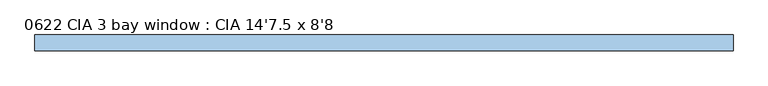
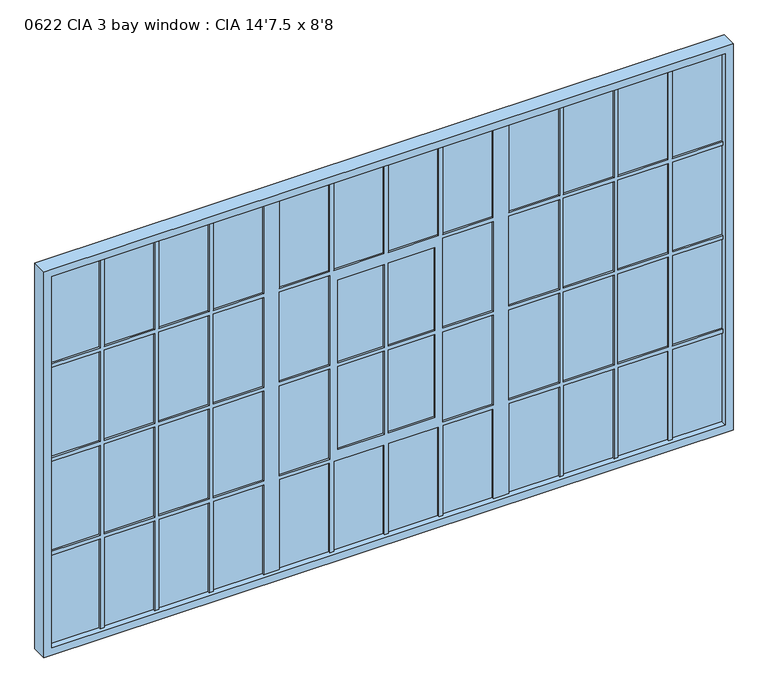
"""IFC4 building model written with IfcOpenShell, lengths in millimetres: window geometry, 0622 CIA 3 bay window : CIA 14'7.5 x 8'8."""

from ifc_helpers import new_model, si_unit, frame, origin, place, context, project, spatial, polyline, outline, extrude, source, transform, mapped, element, save


def window_0622_cia_3_bay_window_cia_14_7_5_x_8_8_09d8158f(model_context):
    return source(origin(), model_context, "Body", "SweptSolid", [
        extrude(outline(polyline([(4598.9875, 0.0), (242.8875, 0.0), (242.8875, 25.4), (4598.9875, 25.4), (4598.9875, 0.0)])), frame((0.0, 0.0, 787.4), z_axis=(0.0, 0.0, 1.0), x_axis=(1.0, 0.0, 0.0)), (0.0, 0.0, 1.0), 2540.0),
        extrude(outline(polyline([(3378.2, 192.0875), (736.6, 192.0875), (736.6, 4649.7875), (3378.2, 4649.7875), (3378.2, 192.0875)]), holes=[polyline([(3327.4, 242.8875), (3327.4, 4598.9875), (787.4, 4598.9875), (787.4, 242.8875), (3327.4, 242.8875)])]), frame((0.0, -38.1, 0.0), z_axis=(0.0, 1.0, 0.0), x_axis=(0.0, 0.0, 1.0)), (0.0, 0.0, 1.0), 101.6),
        extrude(outline(polyline([(2711.45, 4271.9625), (3327.4, 4271.9625), (3327.4, 4246.5625), (2711.45, 4246.5625), (2711.45, 3919.5375), (3327.4, 3919.5375), (3327.4, 3894.1375), (2711.45, 3894.1375), (2711.45, 3567.1125), (3327.4, 3567.1125), (3327.4, 3541.7125), (2711.45, 3541.7125), (2711.45, 3214.6875), (3327.4, 3214.6875), (3327.4, 3113.0875), (2711.45, 3113.0875), (2711.45, 2786.0625), (3327.4, 2786.0625), (3327.4, 2760.6625), (2711.45, 2760.6625), (2711.45, 2433.6375), (3327.4, 2433.6375), (3327.4, 2408.2375), (2711.45, 2408.2375), (2711.45, 2081.2125), (3327.4, 2081.2125), (3327.4, 2055.8125), (2711.45, 2055.8125), (2711.45, 1728.7875), (3327.4, 1728.7875), (3327.4, 1627.1875), (2711.45, 1627.1875), (2711.45, 1300.1625), (3327.4, 1300.1625), (3327.4, 1274.7625), (2711.45, 1274.7625), (2711.45, 947.7375), (3327.4, 947.7375), (3327.4, 922.3375), (2711.45, 922.3375), (2711.45, 595.3125), (3327.4, 595.3125), (3327.4, 569.9125), (2711.45, 569.9125), (2711.45, 242.8875), (2686.05, 242.8875), (2686.05, 569.9125), (2070.1, 569.9125), (2070.1, 242.8875), (2044.7, 242.8875), (2044.7, 569.9125), (1428.75, 569.9125), (1428.75, 242.8875), (1403.35, 242.8875), (1403.35, 569.9125), (787.4, 569.9125), (787.4, 595.3125), (1403.35, 595.3125), (1403.35, 922.3375), (787.4, 922.3375), (787.4, 947.7375), (1403.35, 947.7375), (1403.35, 1274.7625), (787.4, 1274.7625), (787.4, 1300.1625), (1403.35, 1300.1625), (1403.35, 1627.1875), (787.4, 1627.1875), (787.4, 1728.7875), (1403.35, 1728.7875), (1403.35, 2055.8125), (787.4, 2055.8125), (787.4, 2081.2125), (1403.35, 2081.2125), (1403.35, 2408.2375), (787.4, 2408.2375), (787.4, 2433.6375), (1403.35, 2433.6375), (1403.35, 2760.6625), (787.4, 2760.6625), (787.4, 2786.0625), (1403.35, 2786.0625), (1403.35, 3113.0875), (787.4, 3113.0875), (787.4, 3214.6875), (1403.35, 3214.6875), (1403.35, 3541.7125), (787.4, 3541.7125), (787.4, 3567.1125), (1403.35, 3567.1125), (1403.35, 3894.1375), (787.4, 3894.1375), (787.4, 3919.5375), (1403.35, 3919.5375), (1403.35, 4246.5625), (787.4, 4246.5625), (787.4, 4271.9625), (1403.35, 4271.9625), (1403.35, 4598.9875), (1428.75, 4598.9875), (1428.75, 4271.9625), (2044.7, 4271.9625), (2044.7, 4598.9875), (2070.1, 4598.9875), (2070.1, 4271.9625), (2686.05, 4271.9625), (2686.05, 4598.9875), (2711.45, 4598.9875), (2711.45, 4271.9625)]), holes=[polyline([(2070.1, 3113.0875), (2070.1, 2786.0625), (2686.05, 2786.0625), (2686.05, 3113.0875), (2070.1, 3113.0875)]), polyline([(2686.05, 1300.1625), (2686.05, 1627.1875), (2070.1, 1627.1875), (2070.1, 1300.1625), (2686.05, 1300.1625)]), polyline([(2686.05, 3214.6875), (2686.05, 3541.7125), (2070.1, 3541.7125), (2070.1, 3214.6875), (2686.05, 3214.6875)]), polyline([(1428.75, 3113.0875), (1428.75, 2786.0625), (2044.7, 2786.0625), (2044.7, 3113.0875), (1428.75, 3113.0875)]), polyline([(2686.05, 1728.7875), (2686.05, 2055.8125), (2070.1, 2055.8125), (2070.1, 1728.7875), (2686.05, 1728.7875)]), polyline([(2044.7, 1300.1625), (2044.7, 1627.1875), (1428.75, 1627.1875), (1428.75, 1300.1625), (2044.7, 1300.1625)]), polyline([(2044.7, 3214.6875), (2044.7, 3541.7125), (1428.75, 3541.7125), (1428.75, 3214.6875), (2044.7, 3214.6875)]), polyline([(2044.7, 1728.7875), (2044.7, 2055.8125), (1428.75, 2055.8125), (1428.75, 1728.7875), (2044.7, 1728.7875)]), polyline([(2686.05, 3919.5375), (2686.05, 4246.5625), (2070.1, 4246.5625), (2070.1, 3919.5375), (2686.05, 3919.5375)]), polyline([(2686.05, 3567.1125), (2686.05, 3894.1375), (2070.1, 3894.1375), (2070.1, 3567.1125), (2686.05, 3567.1125)]), polyline([(2044.7, 3567.1125), (2044.7, 3894.1375), (1428.75, 3894.1375), (1428.75, 3567.1125), (2044.7, 3567.1125)]), polyline([(2044.7, 3919.5375), (2044.7, 4246.5625), (1428.75, 4246.5625), (1428.75, 3919.5375), (2044.7, 3919.5375)]), polyline([(2638.425, 2106.6125), (2638.425, 2408.2375), (2070.1, 2408.2375), (2070.1, 2106.6125), (2638.425, 2106.6125)]), polyline([(2638.425, 2433.6375), (2638.425, 2735.2625), (2070.1, 2735.2625), (2070.1, 2433.6375), (2638.425, 2433.6375)]), polyline([(2044.7, 2106.6125), (2044.7, 2408.2375), (1476.375, 2408.2375), (1476.375, 2106.6125), (2044.7, 2106.6125)]), polyline([(2044.7, 2433.6375), (2044.7, 2735.2625), (1476.375, 2735.2625), (1476.375, 2433.6375), (2044.7, 2433.6375)]), polyline([(2686.05, 595.3125), (2686.05, 922.3375), (2070.1, 922.3375), (2070.1, 595.3125), (2686.05, 595.3125)]), polyline([(2686.05, 947.7375), (2686.05, 1274.7625), (2070.1, 1274.7625), (2070.1, 947.7375), (2686.05, 947.7375)]), polyline([(2044.7, 595.3125), (2044.7, 922.3375), (1428.75, 922.3375), (1428.75, 595.3125), (2044.7, 595.3125)]), polyline([(2044.7, 947.7375), (2044.7, 1274.7625), (1428.75, 1274.7625), (1428.75, 947.7375), (2044.7, 947.7375)])]), frame((0.0, -12.7, 0.0), z_axis=(0.0, 1.0, 0.0), x_axis=(0.0, 0.0, 1.0)), (0.0, 0.0, 1.0), 50.8),
    ])


if __name__ == "__main__":
    model = new_model("IFC4")
    model_context = context("Model", 3, world=origin())
    ifc_project = project(units=[si_unit("LENGTHUNIT", "METRE", prefix="MILLI")], contexts=[model_context])
    site = spatial("IfcSite", under=ifc_project)
    building = spatial("IfcBuilding", under=site)
    placement = place(None, origin())
    window_0622_cia_3_bay_window_cia_14_7_5_x_8_8_shape = window_0622_cia_3_bay_window_cia_14_7_5_x_8_8_09d8158f(model_context)
    element("IfcWindow", 1, ObjectType="0622 CIA 3 bay window : CIA 14'7.5 x 8'8", at=placement, inside=building, context=model_context, shape_type="MappedRepresentation", body=[
        mapped(window_0622_cia_3_bay_window_cia_14_7_5_x_8_8_shape, transform((0.0, 0.0, 0.0), x_axis=(1.0, 0.0, 0.0), y_axis=(0.0, 1.0, 0.0), z_axis=(0.0, 0.0, 1.0))),
    ])
    save(model, "model.ifc")
